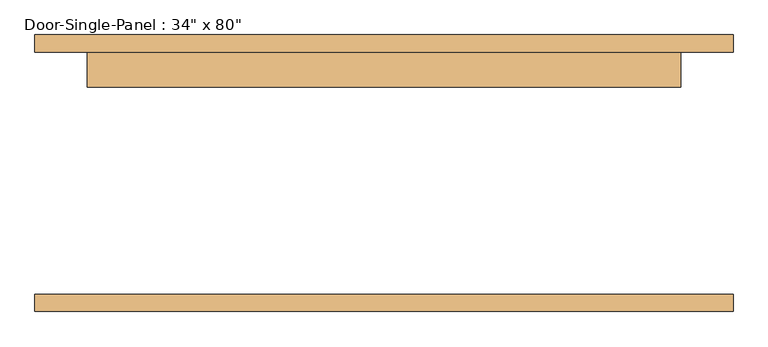
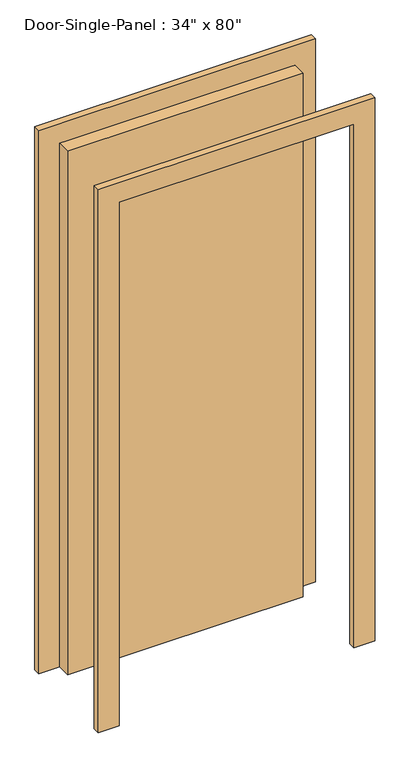
"""IFC4 building model written with IfcOpenShell, lengths in millimetres: door geometry."""

from ifc_helpers import new_model, si_unit, frame, origin, origin_with_axes, place, context, project, spatial, polyline, outline, extrude, source, transform, mapped, element, save


def door_803b51fe(model_context):
    return source(origin(), model_context, "Body", "SweptSolid", [
        extrude(outline(polyline([(431.8, 125.4125), (-431.8, 125.4125), (-431.8, 176.2125), (431.8, 176.2125), (431.8, 125.4125)])), origin_with_axes(), (0.0, 0.0, 1.0), 2032.0),
        extrude(outline(polyline([(2108.2, -508.0), (0.0, -508.0), (0.0, -431.8), (2032.0, -431.8), (2032.0, 431.8), (0.0, 431.8), (0.0, 508.0), (2108.2, 508.0), (2108.2, -508.0)])), frame((0.0, 176.2125, 0.0), z_axis=(0.0, 1.0, 0.0), x_axis=(0.0, 0.0, 1.0)), (0.0, 0.0, 1.0), 25.4),
        extrude(outline(polyline([(2108.2, 508.0), (2108.2, -508.0), (0.0, -508.0), (0.0, -431.8), (2032.0, -431.8), (2032.0, 431.8), (0.0, 431.8), (0.0, 508.0), (2108.2, 508.0)])), frame((0.0, -201.6125, 0.0), z_axis=(0.0, 1.0, 0.0), x_axis=(0.0, 0.0, 1.0)), (0.0, 0.0, 1.0), 25.4),
    ])


if __name__ == "__main__":
    model = new_model("IFC4")
    model_context = context("Model", 3, world=origin())
    ifc_project = project(units=[si_unit("LENGTHUNIT", "METRE", prefix="MILLI")], contexts=[model_context])
    site = spatial("IfcSite", under=ifc_project)
    building = spatial("IfcBuilding", under=site)
    placement = place(None, origin())
    door_shape = door_803b51fe(model_context)
    element("IfcDoor", 1, ObjectType="Door-Single-Panel : 34\" x 80\"", at=placement, inside=building, context=model_context, shape_type="MappedRepresentation", body=[
        mapped(door_shape, transform((0.0, 0.0, 0.0), x_axis=(1.0, 0.0, 0.0), y_axis=(0.0, 1.0, 0.0), z_axis=(0.0, 0.0, 1.0))),
    ])
    save(model, "model.ifc")
